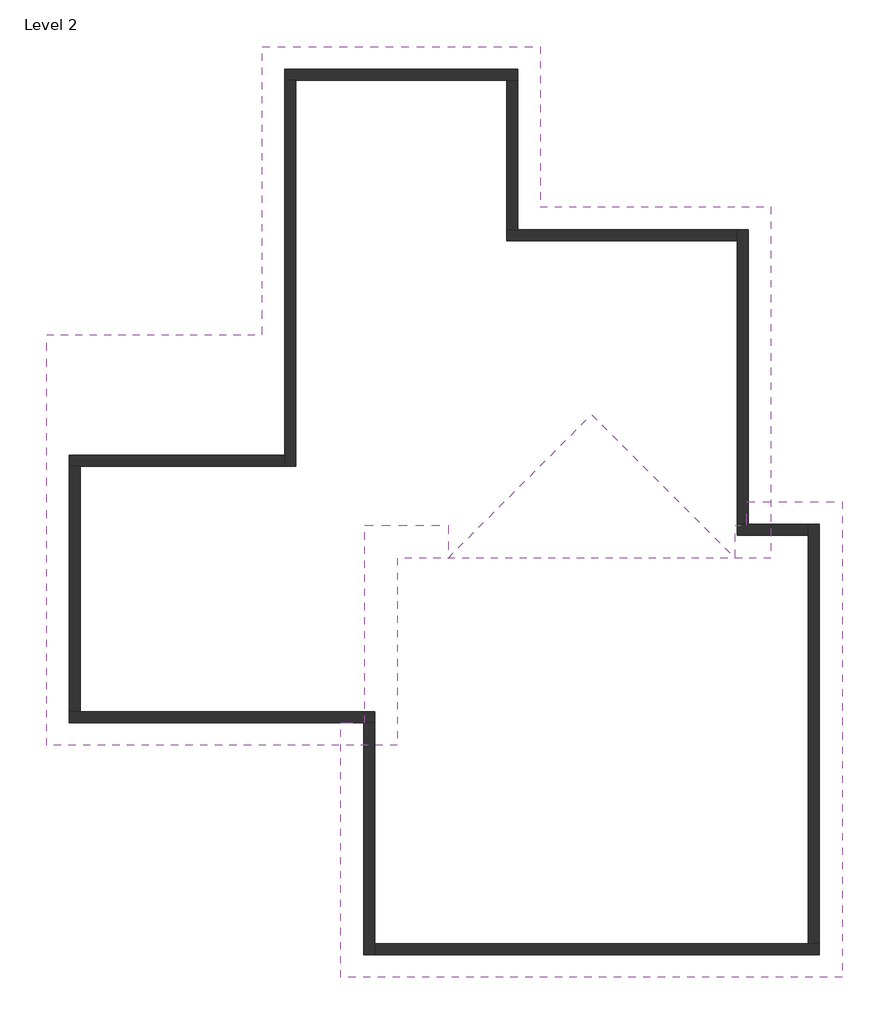
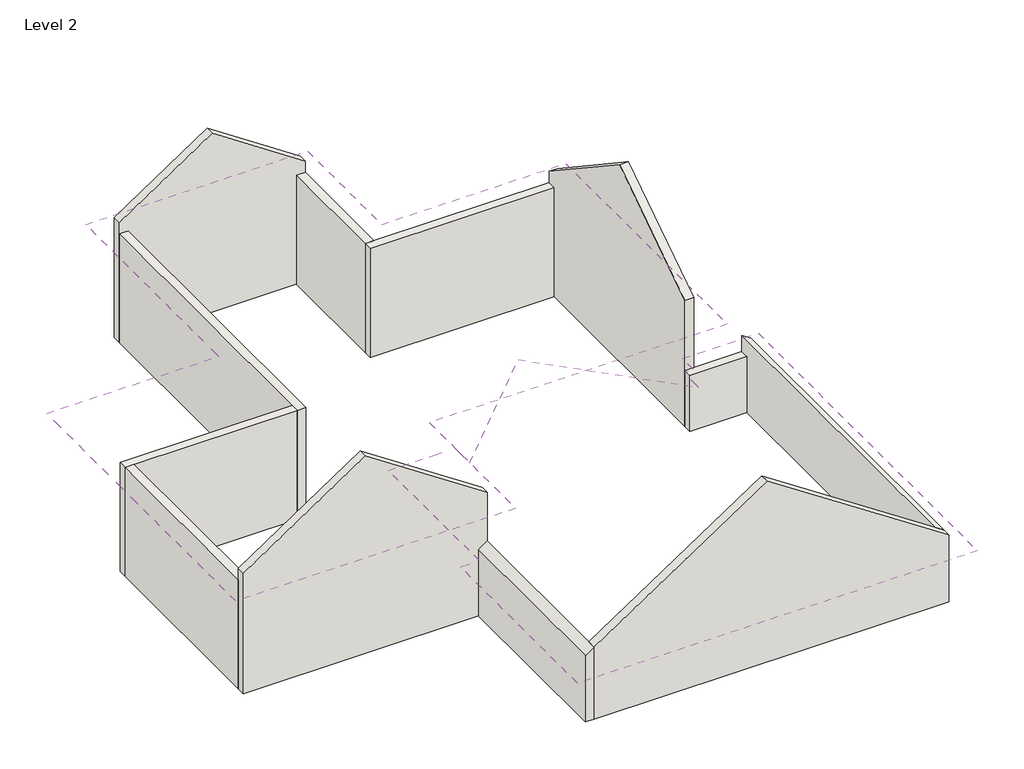
# One storey: 12 walls, 2 roofs.
"""IFC4 building model written with IfcOpenShell, lengths in millimetres."""

from ifc_helpers import new_model, si_unit, frame, origin, place, context, project, spatial, polyline, outline, extrude, faceted_brep, element, save

model = new_model("IFC4")

# Units and contexts
model_context = context("Model", 3, world=origin())
ifc_project = project(units=[si_unit("LENGTHUNIT", "METRE", prefix="MILLI")], contexts=[model_context])

# Site, building, storey
site = spatial("IfcSite", under=ifc_project)
building = spatial("IfcBuilding", under=site)
storey = spatial("IfcBuildingStorey", under=building, Name="Level 2", Elevation=2771.775)

# Roofs
placement = place(None, origin())
element("IfcRoof", 1, ObjectType="Generic - 12\"", at=placement, inside=storey, context=model_context, shape_type="Brep", body=[
    faceted_brep([(18380.06631, -8560.9189868, 6872.8093808), (14100.16631, -8560.9189868, 4019.55), (14100.16631, -4211.1689868, 4019.55), (14506.56631, -4211.1689868, 4290.4826415), (14506.56631, -839.3189868, 4290.4826415), (15928.9709799, -839.3189868, 5238.75), (15928.9709799, -1398.1189868, 5238.75), (16478.4579657, -1398.1189868, 5605.0737218), (18380.06631, 503.4893575, 6872.8093808), (22659.96631, -432.9189868, 4019.55), (22659.96631, -8560.9189868, 4019.55), (20281.6746544, -1398.1189868, 5605.0737218), (20831.1616401, -1398.1189868, 5238.75), (20831.1616401, -839.3189868, 5238.75), (21034.36631, -839.3189868, 5103.280566), (21034.36631, -432.9189868, 5103.280566), (14100.16631, -8560.9189868, 4385.8737218), (18380.06631, -8560.9189868, 7239.1331025), (18380.06631, 1052.9763433, 7239.1331025), (15928.9709799, -1398.1189868, 5605.0737218), (15379.4839942, -1398.1189868, 5238.75), (15379.4839942, -839.3189868, 5238.75), (14506.56631, -839.3189868, 4656.8063633), (14506.56631, -4211.1689868, 4656.8063633), (14100.16631, -4211.1689868, 4385.8737218), (22659.96631, -8560.9189868, 4385.8737218), (22659.96631, -432.9189868, 4385.8737218), (21034.36631, -432.9189868, 5469.6042878), (21034.36631, -1398.1189868, 5469.6042878), (20831.1616401, -1398.1189868, 5605.0737218), (21034.36631, -839.3189868, 5238.75), (21034.36631, -1398.1189868, 5238.75)], [[[0, 1, 2, 3, 4, 5, 6, 7, 8]], [[9, 10, 0, 8, 11, 12, 13, 14, 15]], [[16, 17, 18, 19, 20, 21, 22, 23, 24]], [[25, 26, 27, 28, 29, 18, 17]], [[9, 26, 25, 10]], [[1, 16, 24, 2]], [[25, 17, 16, 1, 0, 10]], [[27, 26, 9, 15]], [[28, 27, 15, 14, 30, 31]], [[24, 23, 3, 2]], [[23, 22, 4, 3]], [[30, 14, 13]], [[22, 21, 5, 4]], [[5, 21, 20, 6]], [[30, 13, 12, 31]], [[20, 19, 7, 6]], [[19, 18, 29, 11, 8, 7]], [[29, 28, 31, 12, 11]]]),
])
element("IfcRoof", 2, ObjectType="Generic - 12\"", at=placement, inside=storey, context=model_context, shape_type="Brep", body=[
    faceted_brep([(15065.36631, -4598.5189868, 5238.75), (12068.16631, -4598.5189868, 7236.8782311), (12068.16631, -583.7314868, 7236.8782311), (13159.57256, 507.6747632, 6509.2759223), (15065.36631, -1398.1189868, 5238.75), (14659.76006, 507.6747632, 6509.2759223), (15752.75381, 1600.6685132, 7237.9365617), (21440.76631, 1600.6685132, 7237.9365617), (21440.76631, -1398.1189868, 5238.75), (21440.76631, 4599.4560132, 5238.75), (15128.86631, 2224.5560132, 6822.0126238), (17503.76631, 4599.4560132, 5238.75), (15128.86631, 7339.4810132, 6822.0126238), (17503.76631, 7339.4810132, 5238.75), (12753.96631, 7339.4810132, 5238.75), (12753.96631, 2413.4685132, 5238.75), (12753.96631, 2419.8078965, 5238.75), (12753.96631, 2969.2948823, 5238.75), (9070.96631, -4598.5189868, 5238.75), (9070.96631, -990.3328558, 5238.75), (9070.96631, -440.8458701, 5238.75), (9070.96631, 2413.4685132, 5238.75), (10498.1235017, 986.3113216, 6190.1856982), (10533.9744705, 950.4603528, 6214.0862831), (15065.36631, -4598.5189868, 5605.0737218), (15065.36631, -1398.1189868, 5605.0737218), (13159.57256, 507.6747632, 6875.5996441), (12068.16631, -583.7314868, 7603.2019528), (12068.16631, -4598.5189868, 7603.2019528), (21440.76631, -1398.1189868, 5605.0737218), (21440.76631, 1600.6685132, 7604.2602834), (15752.75381, 1600.6685132, 7604.2602834), (14659.76006, 507.6747632, 6875.5996441), (21440.76631, 4599.4560132, 5605.0737218), (17503.76631, 4599.4560132, 5605.0737218), (15128.86631, 2224.5560132, 7188.3363455), (17503.76631, 7339.4810132, 5605.0737218), (15128.86631, 7339.4810132, 7188.3363455), (12753.96631, 7339.4810132, 5605.0737218), (12753.96631, 2419.8078965, 5605.0737218), (12753.96631, 2413.4685132, 5605.0737218), (13539.77881, 1627.6560132, 6128.947384), (9070.96631, -4598.5189868, 5605.0737218), (10498.1235017, 986.3113216, 6556.50942), (9070.96631, 2413.4685132, 5605.0737218), (9070.96631, 1870.3209107, 5605.0737218), (9070.96631, 108.6411157, 5605.0737218), (9070.96631, -440.8458701, 5605.0737218), (12753.96631, 2413.4685132, 5242.9762447), (9070.96631, 2413.4685132, 5242.9762447)], [[[0, 1, 2, 3, 4]], [[4, 3, 5, 6, 7, 8]], [[9, 7, 6, 10, 11]], [[11, 10, 12, 13]], [[14, 12, 10, 6, 5, 15, 16, 17]], [[18, 19, 20, 21, 22, 23, 2, 1]], [[24, 25, 26, 27, 28]], [[25, 29, 30, 31, 32, 26]], [[33, 34, 35, 31, 30]], [[34, 36, 37, 35]], [[38, 39, 40, 41, 32, 31, 35, 37]], [[42, 28, 27, 43, 44, 45, 46, 47]], [[4, 25, 24, 0]], [[8, 29, 25, 4]], [[11, 34, 33, 9]], [[13, 36, 34, 11]], [[15, 48, 40, 39, 38, 14, 17, 16]], [[18, 42, 47, 46, 45, 44, 49, 21, 20, 19]], [[24, 28, 42, 18, 1, 0]], [[38, 37, 36, 13, 12, 14]], [[33, 30, 29, 8, 7, 9]], [[15, 5, 3, 2, 23, 22, 21]], [[40, 44, 43, 27, 26, 32, 41]], [[21, 49, 44, 40, 48, 15]]]),
])

# Walls
element("IfcWall", 3, ObjectType="2x6 Exterior with Vinyl Siding", at=placement, inside=storey, context=model_context, shape_type="Brep", body=[
    faceted_brep([(9458.31631, -4211.1689868, 2771.775), (14487.51631, -4211.1689868, 2771.775), (14674.84131, -4211.1689868, 2771.775), (14674.84131, -4211.1689868, 4402.6656884), (14674.84131, -4211.1689868, 5499.0993352), (12068.16631, -4211.1689868, 7236.8782311), (9458.31631, -4211.1689868, 5496.9826739), (9458.31631, -4023.8439868, 2771.775), (9458.31631, -4023.8439868, 5238.75), (9458.31631, -4023.8439868, 5496.9826739), (12068.16631, -4023.8439868, 7236.8782311), (14674.84131, -4023.8439868, 5499.0993352), (14674.84131, -4023.8439868, 2771.775), (9645.64131, -4023.8439868, 2771.775)], [[[0, 1, 2, 3, 4, 5, 6]], [[7, 8, 9, 10, 11, 12, 13]], [[2, 1, 0, 7, 13, 12]], [[4, 3, 2, 12, 11]], [[0, 6, 9, 8, 7]], [[6, 5, 10, 9]], [[5, 4, 11, 10]]]),
])
element("IfcWall", 4, ObjectType="2x6 Exterior with Vinyl Siding", at=placement, inside=storey, context=model_context, shape_type="Brep", body=[
    faceted_brep([(14487.51631, -4211.1689868, 2771.775), (14487.51631, -8173.5689868, 2771.775), (14487.51631, -8173.5689868, 4277.7826739), (14487.51631, -4211.1689868, 4277.7826739), (14674.84131, -4211.1689868, 2771.775), (14674.84131, -4211.1689868, 4402.6656884), (14674.84131, -7986.2439868, 4402.6656884), (14674.84131, -8173.5689868, 4402.6656884), (14674.84131, -8173.5689868, 2771.775), (14674.84131, -7986.2439868, 2771.775), (14506.56631, -4211.1689868, 4290.4826415), (14506.56631, -8173.5689868, 4290.4826415)], [[[0, 1, 2, 3]], [[4, 5, 6, 7, 8, 9]], [[1, 0, 4, 9, 8]], [[0, 3, 10, 5, 4]], [[2, 1, 8, 7, 11]], [[11, 7, 6, 5, 10, 3, 2]]]),
])
element("IfcWall", 5, ObjectType="2x6 Exterior with Vinyl Siding", at=placement, inside=storey, context=model_context, shape_type="Brep", body=[
    faceted_brep([(14674.84131, -8173.5689868, 2771.775), (22272.61631, -8173.5689868, 2771.775), (22272.61631, -8173.5689868, 4277.7826739), (18380.06631, -8173.5689868, 6872.8093808), (14674.84131, -8173.5689868, 4402.6656884), (14674.84131, -7986.2439868, 2771.775), (14674.84131, -7986.2439868, 4402.6656884), (18380.06631, -7986.2439868, 6872.8093808), (22085.29131, -7986.2439868, 4402.6656884), (22272.61631, -7986.2439868, 4277.7826739), (22272.61631, -7986.2439868, 2771.775), (22085.29131, -7986.2439868, 2771.775)], [[[0, 1, 2, 3, 4]], [[5, 6, 7, 8, 9, 10, 11]], [[1, 0, 5, 11, 10]], [[0, 4, 6, 5]], [[2, 1, 10, 9]], [[4, 3, 7, 6]], [[3, 2, 9, 8, 7]]]),
])
element("IfcWall", 6, ObjectType="2x6 Exterior with Vinyl Siding", at=placement, inside=storey, context=model_context, shape_type="Brep", body=[
    faceted_brep([(22272.61631, -7986.2439868, 2771.775), (22272.61631, -820.2689868, 2771.775), (22272.61631, -820.2689868, 4277.7826739), (22272.61631, -7986.2439868, 4277.7826739), (22085.29131, -7986.2439868, 2771.775), (22085.29131, -7986.2439868, 4402.6656884), (22085.29131, -820.2689868, 4402.6656884), (22085.29131, -820.2689868, 4037.6710033), (22085.29131, -820.2689868, 2771.775), (22085.29131, -1007.5939868, 2771.775)], [[[0, 1, 2, 3]], [[4, 5, 6, 7, 8, 9]], [[1, 0, 4, 9, 8]], [[0, 3, 5, 4]], [[2, 1, 8, 7, 6]], [[3, 2, 6, 5]]]),
])
element("IfcWall", 7, ObjectType="2x6 Exterior with Vinyl Siding", at=placement, inside=storey, context=model_context, shape_type="Brep", body=[
    faceted_brep([(22085.29131, -820.2689868, 2771.775), (21053.41631, -820.2689868, 2771.775), (20866.09131, -820.2689868, 2771.775), (20866.09131, -820.2689868, 4037.6710033), (22085.29131, -820.2689868, 4037.6710033), (22085.29131, -1007.5939868, 2771.775), (22085.29131, -1007.5939868, 4037.6710033), (20866.09131, -1007.5939868, 4037.6710033), (20866.09131, -1007.5939868, 2771.775)], [[[0, 1, 2, 3, 4]], [[5, 6, 7, 8]], [[2, 1, 0, 5, 8]], [[4, 3, 7, 6]], [[0, 4, 6, 5]], [[3, 2, 8, 7]]]),
])
element("IfcWall", 8, ObjectType="2x6 Exterior with Vinyl Siding", at=placement, inside=storey, context=model_context, shape_type="Brep", body=[
    faceted_brep([(21053.41631, -820.2689868, 2771.775), (21053.41631, 4212.1060132, 2771.775), (21053.41631, 4212.1060132, 5496.9826739), (21053.41631, 1600.6685132, 7237.9365617), (21053.41631, -820.2689868, 5623.9823496), (20866.09131, -820.2689868, 2771.775), (20866.09131, -820.2689868, 4037.6710033), (20866.09131, -820.2689868, 5623.9823496), (20866.09131, 1600.6685132, 7237.9365617), (20866.09131, 4212.1060132, 5496.9826739), (20866.09131, 4212.1060132, 5238.75), (20866.09131, 4212.1060132, 2771.775), (20866.09131, 4024.7810132, 2771.775)], [[[0, 1, 2, 3, 4]], [[5, 6, 7, 8, 9, 10, 11, 12]], [[1, 0, 5, 12, 11]], [[0, 4, 7, 6, 5]], [[2, 1, 11, 10, 9]], [[4, 3, 8, 7]], [[3, 2, 9, 8]]]),
])
element("IfcWall", 9, ObjectType="2x6 Exterior with Vinyl Siding", at=placement, inside=storey, context=model_context, shape_type="Brep", body=[
    faceted_brep([(17116.41631, 6952.1310132, 2771.775), (13141.31631, 6952.1310132, 2771.775), (13141.31631, 6952.1310132, 5496.9826739), (15128.86631, 6952.1310132, 6822.0126238), (17116.41631, 6952.1310132, 5496.9826739), (17116.41631, 6764.8060132, 2771.775), (17116.41631, 6764.8060132, 5238.75), (17116.41631, 6764.8060132, 5496.9826739), (15128.86631, 6764.8060132, 6822.0126238), (13141.31631, 6764.8060132, 5496.9826739), (13141.31631, 6764.8060132, 5238.75), (13141.31631, 6764.8060132, 2771.775), (13328.64131, 6764.8060132, 2771.775), (16929.09131, 6764.8060132, 2771.775)], [[[0, 1, 2, 3, 4]], [[5, 6, 7, 8, 9, 10, 11, 12, 13]], [[1, 0, 5, 13, 12, 11]], [[2, 1, 11, 10, 9]], [[0, 4, 7, 6, 5]], [[4, 3, 8, 7]], [[3, 2, 9, 8]]]),
])
element("IfcWall", 10, ObjectType="2x6 Exterior with Vinyl Siding", at=placement, inside=storey, context=model_context, shape_type="Brep", body=[
    faceted_brep([(13141.31631, 6764.8060132, 2771.775), (13141.31631, 360.8310132, 2771.775), (13141.31631, 173.5060132, 2771.775), (13141.31631, 173.5060132, 5238.75), (13141.31631, 360.8310132, 5238.75), (13141.31631, 6764.8060132, 5238.75), (13328.64131, 6764.8060132, 2771.775), (13328.64131, 6764.8060132, 5238.75), (13328.64131, 173.5060132, 5238.75), (13328.64131, 173.5060132, 2771.775)], [[[0, 1, 2, 3, 4, 5]], [[6, 7, 8, 9]], [[2, 1, 0, 6, 9]], [[5, 4, 3, 8, 7]], [[0, 5, 7, 6]], [[3, 2, 9, 8]]]),
])
element("IfcWall", 11, ObjectType="2x6 Exterior with Vinyl Siding", at=placement, inside=storey, context=model_context, shape_type="Brep", body=[
    faceted_brep([(13141.31631, 360.8310132, 2771.775), (9458.31631, 360.8310132, 2771.775), (9458.31631, 360.8310132, 5238.75), (13141.31631, 360.8310132, 5238.75), (13141.31631, 173.5060132, 2771.775), (13141.31631, 173.5060132, 5238.75), (9645.64131, 173.5060132, 5238.75), (9458.31631, 173.5060132, 5238.75), (9458.31631, 173.5060132, 2771.775), (9645.64131, 173.5060132, 2771.775)], [[[0, 1, 2, 3]], [[4, 5, 6, 7, 8, 9]], [[1, 0, 4, 9, 8]], [[3, 2, 7, 6, 5]], [[0, 3, 5, 4]], [[2, 1, 8, 7]]]),
])
element("IfcWall", 12, ObjectType="2x6 Exterior with Vinyl Siding", at=placement, inside=storey, context=model_context, shape_type="SweptSolid", body=[
    extrude(outline(polyline([(9458.31631, -4023.8439868), (9458.31631, 173.5060132), (9645.64131, 173.5060132), (9645.64131, -4023.8439868), (9458.31631, -4023.8439868)])), frame((0.0, 0.0, 2771.775), z_axis=(0.0, 0.0, 1.0), x_axis=(1.0, 0.0, 0.0)), (0.0, 0.0, 1.0), 2466.975),
])
element("IfcWall", 13, ObjectType="2x6 Exterior with Vinyl Siding", at=placement, inside=storey, context=model_context, shape_type="Brep", body=[
    faceted_brep([(20866.09131, 4212.1060132, 2771.775), (17116.41631, 4212.1060132, 2771.775), (16929.09131, 4212.1060132, 2771.775), (16929.09131, 4212.1060132, 5238.75), (17116.41631, 4212.1060132, 5238.75), (20866.09131, 4212.1060132, 5238.75), (20866.09131, 4024.7810132, 2771.775), (20866.09131, 4024.7810132, 5238.75), (16929.09131, 4024.7810132, 5238.75), (16929.09131, 4024.7810132, 2771.775)], [[[0, 1, 2, 3, 4, 5]], [[6, 7, 8, 9]], [[2, 1, 0, 6, 9]], [[5, 4, 3, 8, 7]], [[3, 2, 9, 8]], [[0, 5, 7, 6]]]),
])
element("IfcWall", 14, ObjectType="2x6 Exterior with Vinyl Siding", at=placement, inside=storey, context=model_context, shape_type="SweptSolid", body=[
    extrude(outline(polyline([(17116.41631, 6764.8060132), (17116.41631, 4212.1060132), (16929.09131, 4212.1060132), (16929.09131, 6764.8060132), (17116.41631, 6764.8060132)])), frame((0.0, 0.0, 2771.775), z_axis=(0.0, 0.0, 1.0), x_axis=(1.0, 0.0, 0.0)), (0.0, 0.0, 1.0), 2466.975),
])

save(model, "model.ifc")
